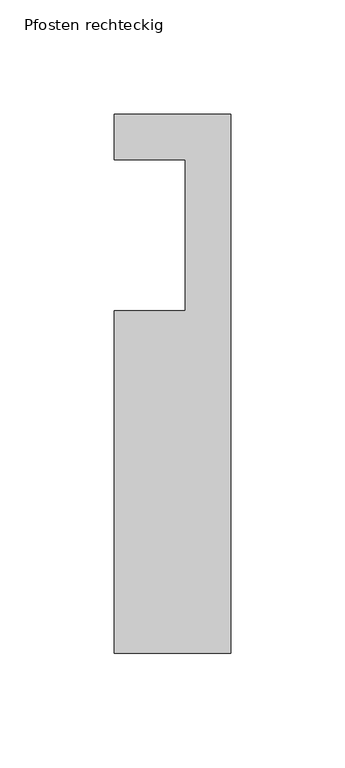
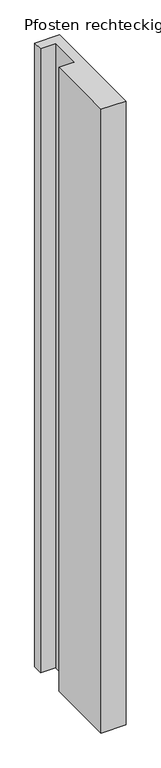
"""IFC4 building model written with IfcOpenShell, lengths in millimetres: member geometry, Pfosten rechteckig."""

from ifc_helpers import new_model, si_unit, frame, origin, place, context, project, spatial, polyline, outline, extrude, source, transform, mapped, element, save


def pfosten_rechteckig_6a581c39(model_context):
    return source(origin(), model_context, "Body", "SweptSolid", [
        extrude(outline(polyline([(0.0, 20.0), (0.0, -216.0), (-51.0, -216.0), (-51.0, -66.0), (-20.0, -66.0), (-20.0, 0.0), (-51.0, 0.0), (-51.0, 20.0), (0.0, 20.0)])), frame((0.0, 0.0, -1350.0), z_axis=(0.0, 0.0, 1.0), x_axis=(1.0, 0.0, 0.0)), (0.0, 0.0, 1.0), 1350.0),
    ])


if __name__ == "__main__":
    model = new_model("IFC4")
    model_context = context("Model", 3, world=origin())
    ifc_project = project(units=[si_unit("LENGTHUNIT", "METRE", prefix="MILLI")], contexts=[model_context])
    site = spatial("IfcSite", under=ifc_project)
    building = spatial("IfcBuilding", under=site)
    placement = place(None, origin())
    pfosten_rechteckig_shape = pfosten_rechteckig_6a581c39(model_context)
    element("IfcMember", 1, ObjectType="Pfosten rechteckig", at=placement, inside=building, context=model_context, shape_type="MappedRepresentation", body=[
        mapped(pfosten_rechteckig_shape, transform((0.0, 0.0, 0.0), x_axis=(1.0, 0.0, 0.0), y_axis=(0.0, 1.0, 0.0), z_axis=(0.0, 0.0, 1.0))),
    ])
    save(model, "model.ifc")
